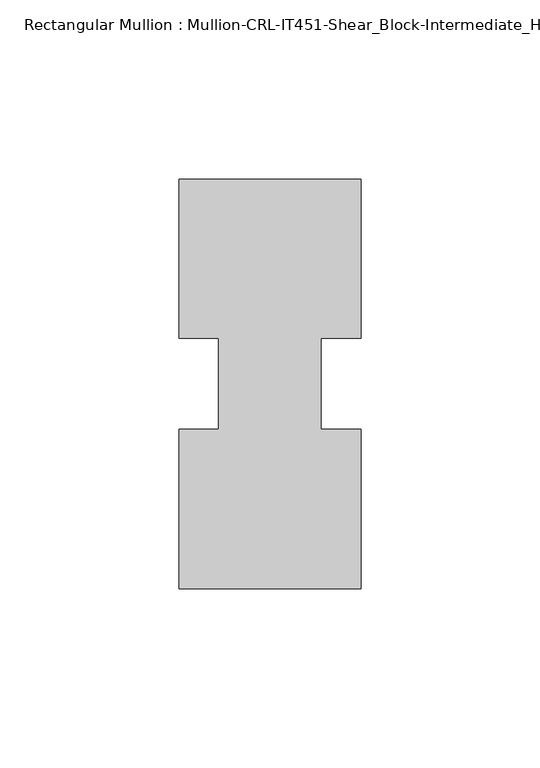
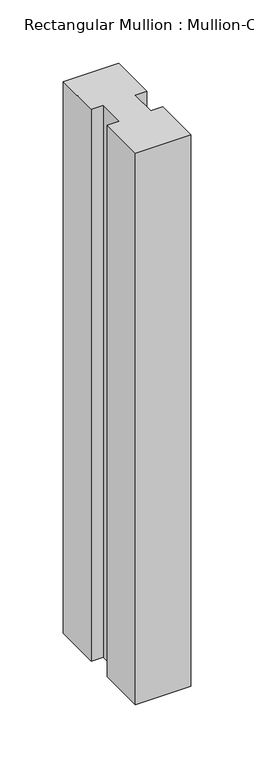
"""IFC4 building model written with IfcOpenShell, lengths in millimetres: member geometry, Rectangular Mullion : Mullion-CRL-IT451-Shear_Block-Intermediate_Horizontal."""

from ifc_helpers import new_model, si_unit, frame, origin, place, context, project, spatial, polyline, outline, extrude, source, transform, mapped, element, save


def rectangular_mullion_mullion_crl_it451_shear_block_9004b619(model_context):
    return source(origin(), model_context, "Body", "SweptSolid", [
        extrude(outline(polyline([(-25.4, -57.1500171), (-25.4, -12.7000171), (-14.2875, -12.7000171), (-14.2875, 12.7000171), (-25.4, 12.7000171), (-25.4, 57.1499829), (25.4, 57.1499829), (25.4, 12.7000171), (14.2875, 12.7000171), (14.2875, -12.7000171), (25.4, -12.7000171), (25.4, -57.1500171), (-25.4, -57.1500171)])), frame((0.0, 0.0, -533.4), z_axis=(0.0, 0.0, 1.0), x_axis=(1.0, 0.0, 0.0)), (0.0, 0.0, 1.0), 533.4),
    ])


if __name__ == "__main__":
    model = new_model("IFC4")
    model_context = context("Model", 3, world=origin())
    ifc_project = project(units=[si_unit("LENGTHUNIT", "METRE", prefix="MILLI")], contexts=[model_context])
    site = spatial("IfcSite", under=ifc_project)
    building = spatial("IfcBuilding", under=site)
    placement = place(None, origin())
    rectangular_mullion_mullion_crl_it451_shear_block_shape = rectangular_mullion_mullion_crl_it451_shear_block_9004b619(model_context)
    element("IfcMember", 1, ObjectType="Rectangular Mullion : Mullion-CRL-IT451-Shear_Block-Intermediate_Horizontal", at=placement, inside=building, context=model_context, shape_type="MappedRepresentation", body=[
        mapped(rectangular_mullion_mullion_crl_it451_shear_block_shape, transform((0.0, 0.0, 0.0), x_axis=(1.0, 0.0, 0.0), y_axis=(0.0, 1.0, 0.0), z_axis=(0.0, 0.0, 1.0))),
    ])
    save(model, "model.ifc")
